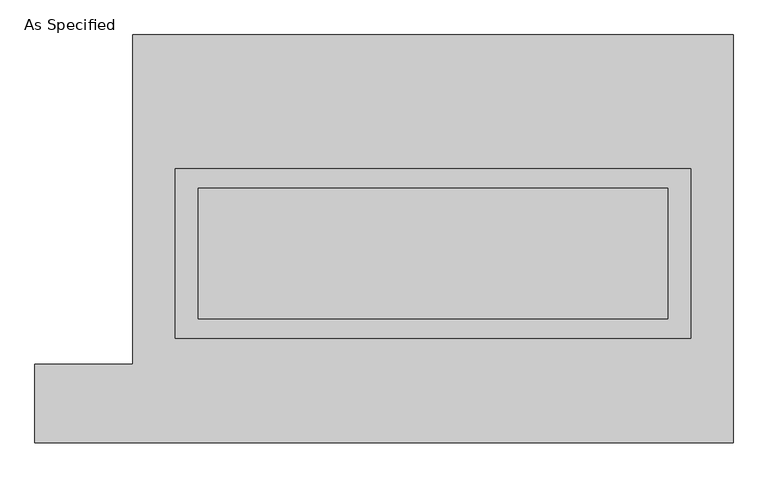
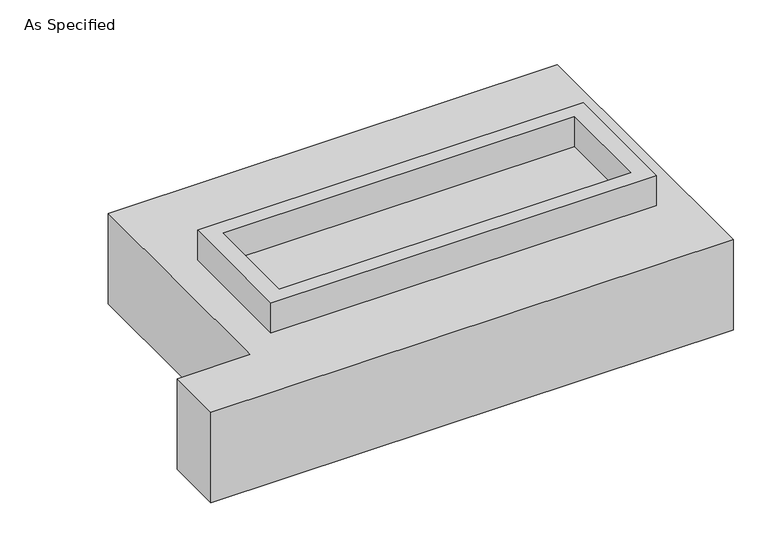
"""IFC4 building model written with IfcOpenShell, lengths in millimetres: proxy geometry, As Specified."""

from ifc_helpers import new_model, si_unit, frame, origin, place, context, project, spatial, polyline, outline, extrude, faceted_brep, source, transform, mapped, element, save


def as_specified_20f9bb69(model_context):
    return source(origin(), model_context, "Body", "SolidModel", [
        extrude(outline(polyline([(1003.3, 273.05), (1003.3, -387.35), (-1003.3, -387.35), (-1003.3, 273.05), (1003.3, 273.05)]), holes=[polyline([(914.4, 196.85), (-914.4, 196.85), (-914.4, -311.15), (914.4, -311.15), (914.4, 196.85)])]), frame((0.0, 0.0, -25.4), z_axis=(0.0, 0.0, 1.0), x_axis=(1.0, 0.0, 0.0)), (0.0, 0.0, 1.0), 165.1),
        extrude(outline(polyline([(914.4, 196.85), (914.4, -311.15), (-914.4, -311.15), (-914.4, 196.85), (914.4, 196.85)])), frame((0.0, 0.0, -30.3609375), z_axis=(0.0, 0.0, 1.0), x_axis=(1.0, 0.0, 0.0)), (0.0, 0.0, 1.0), 4.9609375),
        faceted_brep([(-1168.4, 793.75, -523.875), (1168.4, 793.75, -523.875), (1168.4, -793.75, -523.875), (-1549.4, -793.75, -523.875), (-1549.4, -488.95, -523.875), (-1168.4, -488.95, -523.875), (1168.4, 793.75, -25.4), (-1168.4, 793.75, -25.4), (-1168.4, -488.95, -25.4), (-1549.4, -488.95, -25.4), (-1549.4, -793.75, -25.4), (1168.4, -793.75, -25.4), (-1003.3, -387.35, -25.4), (-1003.3, 273.05, -25.4), (1003.3, 273.05, -25.4), (1003.3, -387.35, -25.4), (1003.3, 273.05, -498.475), (-1003.3, 273.05, -498.475), (-1003.3, -387.35, -498.475), (1003.3, -387.35, -498.475)], [[[0, 1, 2, 3, 4, 5]], [[6, 7, 8, 9, 10, 11], [12, 13, 14, 15]], [[1, 0, 7, 6]], [[7, 0, 5, 8]], [[1, 6, 11, 2]], [[16, 17, 18, 19]], [[18, 17, 13, 12]], [[17, 16, 14, 13]], [[16, 19, 15, 14]], [[12, 15, 19, 18]], [[3, 2, 11, 10]], [[5, 4, 9, 8]], [[4, 3, 10, 9]]]),
    ])


if __name__ == "__main__":
    model = new_model("IFC4")
    model_context = context("Model", 3, world=origin())
    ifc_project = project(units=[si_unit("LENGTHUNIT", "METRE", prefix="MILLI")], contexts=[model_context])
    site = spatial("IfcSite", under=ifc_project)
    building = spatial("IfcBuilding", under=site)
    placement = place(None, origin())
    as_specified_shape = as_specified_20f9bb69(model_context)
    element("IfcBuildingElementProxy", 1, Name="As Specified", ObjectType="As Specified", at=placement, inside=building, context=model_context, shape_type="MappedRepresentation", body=[
        mapped(as_specified_shape, transform((0.0, 0.0, 0.0), x_axis=(1.0, 0.0, 0.0), y_axis=(0.0, 1.0, 0.0), z_axis=(0.0, 0.0, 1.0))),
    ])
    save(model, "model.ifc")
